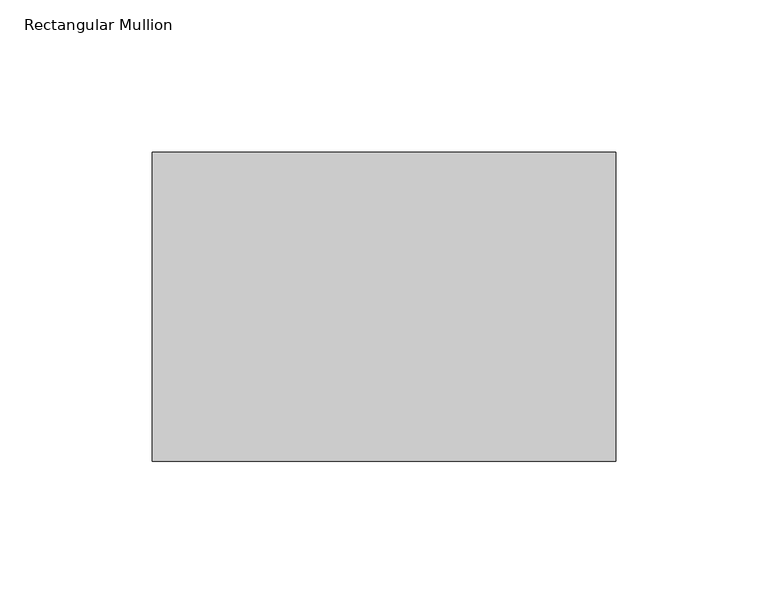
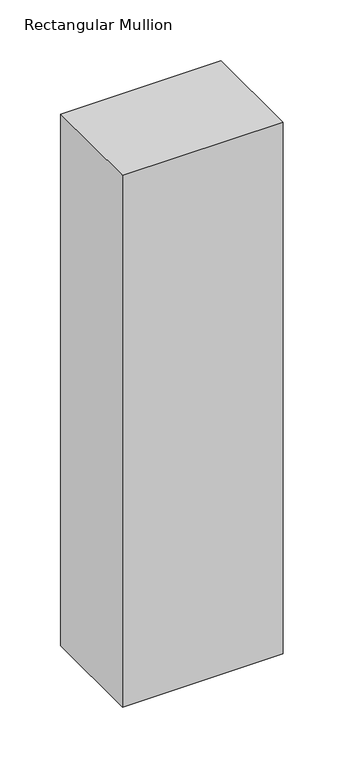
"""IFC4 building model written with IfcOpenShell, lengths in millimetres: member geometry, Rectangular Mullion."""

from ifc_helpers import new_model, si_unit, frame, origin, place, context, project, spatial, polyline, outline, extrude, source, transform, mapped, element, save


def rectangular_mullion_827b4df1(model_context):
    return source(origin(), model_context, "Body", "SweptSolid", [
        extrude(outline(polyline([(0.0, 19.05), (0.0, -82.55), (-152.4, -82.55), (-152.4, 19.05), (0.0, 19.05)])), frame((0.0, 0.0, -533.4), z_axis=(0.0, 0.0, 1.0), x_axis=(1.0, 0.0, 0.0)), (0.0, 0.0, 1.0), 533.4),
    ])


if __name__ == "__main__":
    model = new_model("IFC4")
    model_context = context("Model", 3, world=origin())
    ifc_project = project(units=[si_unit("LENGTHUNIT", "METRE", prefix="MILLI")], contexts=[model_context])
    site = spatial("IfcSite", under=ifc_project)
    building = spatial("IfcBuilding", under=site)
    placement = place(None, origin())
    rectangular_mullion_shape = rectangular_mullion_827b4df1(model_context)
    element("IfcMember", 1, ObjectType="Rectangular Mullion", at=placement, inside=building, context=model_context, shape_type="MappedRepresentation", body=[
        mapped(rectangular_mullion_shape, transform((0.0, 0.0, 0.0), x_axis=(1.0, 0.0, 0.0), y_axis=(0.0, 1.0, 0.0), z_axis=(0.0, 0.0, 1.0))),
    ])
    save(model, "model.ifc")
